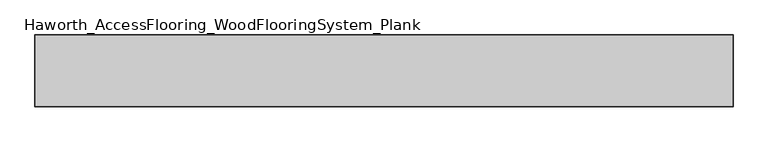
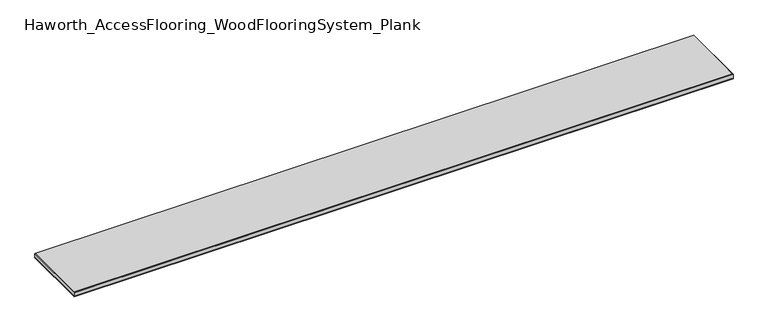
"""IFC4 building model written with IfcOpenShell, lengths in millimetres: proxy geometry, Haworth_AccessFlooring_WoodFlooringSystem_Plank."""

from ifc_helpers import new_model, si_unit, frame, origin, place, context, project, spatial, polyline, outline, extrude, faceted_brep, source, transform, mapped, element, save


def haworth_accessflooring_woodflooringsystem_plank_7fee698d(model_context):
    return source(origin(), model_context, "Body", "SolidModel", [
        extrude(outline(polyline([(1066.8, 109.9839844), (1066.8, -109.9839844), (-1066.8, -109.9839844), (-1066.8, 109.9839844), (1066.8, 109.9839844)])), frame((0.0, 0.0, -15.875), z_axis=(0.0, 0.0, 1.0), x_axis=(1.0, 0.0, 0.0)), (0.0, 0.0, 1.0), 0.9921875),
        faceted_brep([(1066.8, 109.9839844, -14.8828125), (1066.8, -109.9839844, -14.8828125), (-1066.8, -109.9839844, -14.8828125), (-1066.8, 109.9839844, -14.8828125), (-1066.8, 109.9839844, -1.5875), (1066.8, 109.9839844, -1.5875), (-1066.8, -109.9839844, -1.5875), (1066.8, -109.9839844, -1.5875), (1065.2125, 108.3964844, 0.0), (-1065.2125, 108.3964844, 0.0), (-1065.2125, -108.3964844, 0.0), (1065.2125, -108.3964844, 0.0)], [[[0, 1, 2, 3]], [[0, 3, 4, 5]], [[3, 2, 6, 4]], [[2, 1, 7, 6]], [[1, 0, 5, 7]], [[8, 9, 10, 11]], [[9, 8, 5, 4]], [[10, 9, 4, 6]], [[11, 10, 6, 7]], [[8, 11, 7, 5]]]),
    ])


if __name__ == "__main__":
    model = new_model("IFC4")
    model_context = context("Model", 3, world=origin())
    ifc_project = project(units=[si_unit("LENGTHUNIT", "METRE", prefix="MILLI")], contexts=[model_context])
    site = spatial("IfcSite", under=ifc_project)
    building = spatial("IfcBuilding", under=site)
    placement = place(None, origin())
    haworth_accessflooring_woodflooringsystem_plank_shape = haworth_accessflooring_woodflooringsystem_plank_7fee698d(model_context)
    element("IfcBuildingElementProxy", 1, Name="Haworth_AccessFlooring_WoodFlooringSystem_Plank", ObjectType="Haworth_AccessFlooring_WoodFlooringSystem_Plank", at=placement, inside=building, context=model_context, shape_type="MappedRepresentation", body=[
        mapped(haworth_accessflooring_woodflooringsystem_plank_shape, transform((0.0, 0.0, 0.0), x_axis=(1.0, 0.0, 0.0), y_axis=(0.0, 1.0, 0.0), z_axis=(0.0, 0.0, 1.0))),
    ])
    save(model, "model.ifc")
